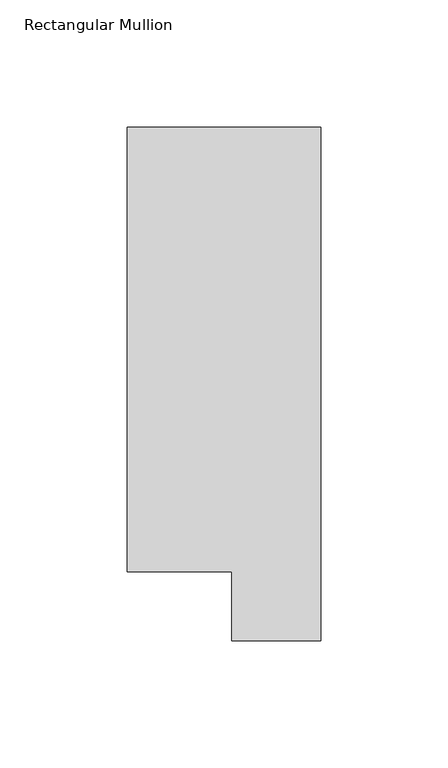
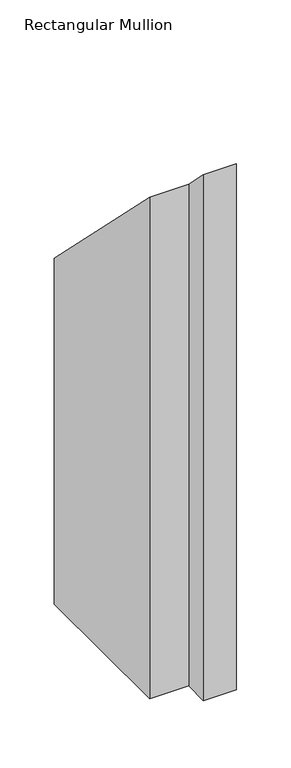
"""IFC4 building model written with IfcOpenShell, lengths in millimetres: member geometry, Rectangular Mullion."""

from ifc_helpers import new_model, si_unit, origin, place, context, project, spatial, faceted_brep, source, transform, mapped, element, save


def rectangular_mullion_8924d532(model_context):
    return source(origin(), model_context, "Body", "Brep", [
        faceted_brep([(0.0, 221.7507313, -609.56825), (0.0, 19.5667313, -609.56825), (-34.9123, 19.5667313, -609.56825), (-34.9123, 46.7447302, -609.56825), (-76.2, 46.7447302, -609.56825), (-76.2, 221.7507313, -609.56825), (-76.2, 221.7507313, -221.7507312), (0.0, 221.7507313, -221.7507312), (-76.2, 46.7447302, -46.7447302), (-34.9123, 46.7447302, -46.7447302), (-34.9123, 19.5667313, -19.5667313), (0.0, 19.5667313, -19.5667313)], [[[0, 1, 2, 3, 4, 5]], [[6, 7, 0, 5]], [[8, 6, 5, 4]], [[9, 8, 4, 3]], [[10, 9, 3, 2]], [[11, 10, 2, 1]], [[7, 11, 1, 0]], [[7, 6, 8, 9, 10, 11]]]),
    ])


if __name__ == "__main__":
    model = new_model("IFC4")
    model_context = context("Model", 3, world=origin())
    ifc_project = project(units=[si_unit("LENGTHUNIT", "METRE", prefix="MILLI")], contexts=[model_context])
    site = spatial("IfcSite", under=ifc_project)
    building = spatial("IfcBuilding", under=site)
    placement = place(None, origin())
    rectangular_mullion_shape = rectangular_mullion_8924d532(model_context)
    element("IfcMember", 1, ObjectType="Rectangular Mullion", at=placement, inside=building, context=model_context, shape_type="MappedRepresentation", body=[
        mapped(rectangular_mullion_shape, transform((0.0, 0.0, 0.0), x_axis=(1.0, 0.0, 0.0), y_axis=(0.0, 1.0, 0.0), z_axis=(0.0, 0.0, 1.0))),
    ])
    save(model, "model.ifc")
